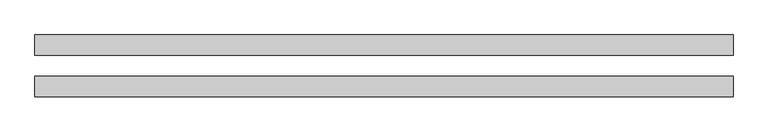
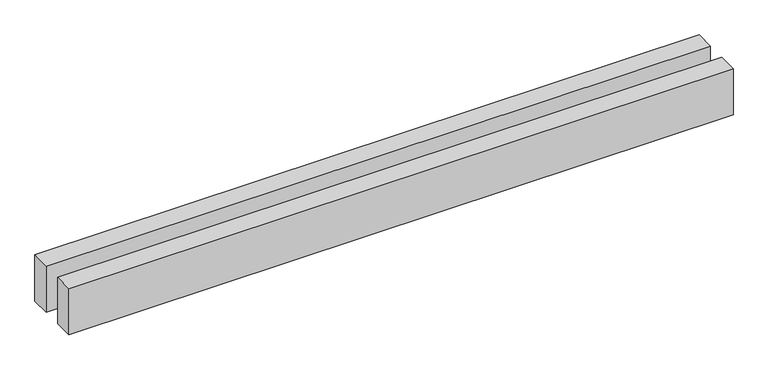
"""IFC4 building model written with IfcOpenShell, lengths in millimetres: proxy geometry."""

from ifc_helpers import new_model, si_unit, origin, origin_with_axes, place, context, project, spatial, polyline, outline, extrude, source, transform, mapped, element, save


def generic_models_b265138b(model_context):
    return source(origin(), model_context, "Body", "SweptSolid", [
        extrude(outline(polyline([(6788.1397889, 300.0), (6788.1397889, 100.0), (0.0, 100.0), (0.0, 300.0), (6788.1397889, 300.0)])), origin_with_axes(), (0.0, 0.0, 1.0), 500.0),
        extrude(outline(polyline([(6788.1397889, -100.0), (6788.1397889, -300.0), (0.0, -300.0), (0.0, -100.0), (6788.1397889, -100.0)])), origin_with_axes(), (0.0, 0.0, 1.0), 500.0),
    ])


if __name__ == "__main__":
    model = new_model("IFC4")
    model_context = context("Model", 3, world=origin())
    ifc_project = project(units=[si_unit("LENGTHUNIT", "METRE", prefix="MILLI")], contexts=[model_context])
    site = spatial("IfcSite", under=ifc_project)
    building = spatial("IfcBuilding", under=site)
    placement = place(None, origin())
    generic_models_shape = generic_models_b265138b(model_context)
    element("IfcBuildingElementProxy", 1, Name="Generic Models", at=placement, inside=building, context=model_context, shape_type="MappedRepresentation", body=[
        mapped(generic_models_shape, transform((0.0, 0.0, 0.0), x_axis=(1.0, 0.0, 0.0), y_axis=(0.0, 1.0, 0.0), z_axis=(0.0, 0.0, 1.0))),
    ])
    save(model, "model.ifc")
